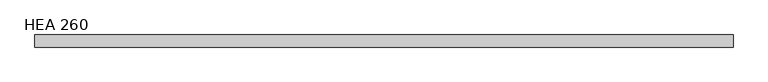
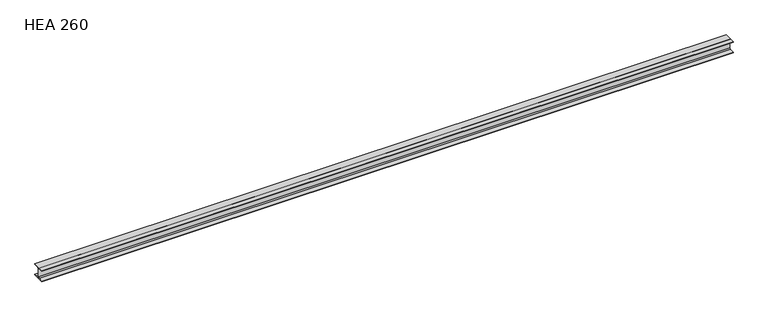
"""IFC4 building model written with IfcOpenShell, lengths in millimetres: beam geometry, HEA 260."""

from ifc_helpers import new_model, si_unit, point, frame, frame_2d, origin, place, context, project, spatial, polyline, circle_curve, trimmed, segment, composite_curve, outline, extrude, source, transform, mapped, element, save


def hea_260_dff13d59(model_context):
    return source(origin(), model_context, "Body", "SweptSolid", [
        extrude(outline(composite_curve([segment(polyline([(130.0, -112.5), (130.0, -125.0), (-130.0, -125.0), (-130.0, -112.5), (-27.75, -112.5)]), True, "CONTINUOUS"), segment(trimmed(circle_curve(frame_2d((-27.75, -88.5)), 24.0), [point((-27.75, -112.5))], [point((-3.75, -88.5))], True, "CARTESIAN"), True, "CONTINUOUS"), segment(polyline([(-3.75, -88.5), (-3.75, 88.5)]), True, "CONTINUOUS"), segment(trimmed(circle_curve(frame_2d((-27.75, 88.5)), 24.0), [point((-3.75, 88.5))], [point((-27.75, 112.5))], True, "CARTESIAN"), True, "CONTINUOUS"), segment(polyline([(-27.75, 112.5), (-130.0, 112.5), (-130.0, 125.0), (130.0, 125.0), (130.0, 112.5), (27.75, 112.5)]), True, "CONTINUOUS"), segment(trimmed(circle_curve(frame_2d((27.75, 88.5)), 24.0), [point((27.75, 112.5))], [point((3.75, 88.5))], True, "CARTESIAN"), True, "CONTINUOUS"), segment(polyline([(3.75, 88.5), (3.75, -88.5)]), True, "CONTINUOUS"), segment(trimmed(circle_curve(frame_2d((27.75, -88.5)), 24.0), [point((3.75, -88.5))], [point((27.75, -112.5))], True, "CARTESIAN"), True, "CONTINUOUS"), segment(polyline([(27.75, -112.5), (130.0, -112.5)]), True, "CONTINUOUS")], self_intersect=False)), frame((-7500.0, 0.0, 0.0), z_axis=(1.0, 0.0, 0.0), x_axis=(0.0, 1.0, 0.0)), (0.0, 0.0, 1.0), 15000.0),
    ])


if __name__ == "__main__":
    model = new_model("IFC4")
    model_context = context("Model", 3, world=origin())
    ifc_project = project(units=[si_unit("LENGTHUNIT", "METRE", prefix="MILLI")], contexts=[model_context])
    site = spatial("IfcSite", under=ifc_project)
    building = spatial("IfcBuilding", under=site)
    placement = place(None, origin())
    hea_260_shape = hea_260_dff13d59(model_context)
    element("IfcBeam", 1, ObjectType="HEA 260", at=placement, inside=building, context=model_context, shape_type="MappedRepresentation", body=[
        mapped(hea_260_shape, transform((0.0, 0.0, 0.0), x_axis=(1.0, 0.0, 0.0), y_axis=(0.0, 1.0, 0.0), z_axis=(0.0, 0.0, 1.0))),
    ])
    save(model, "model.ifc")
